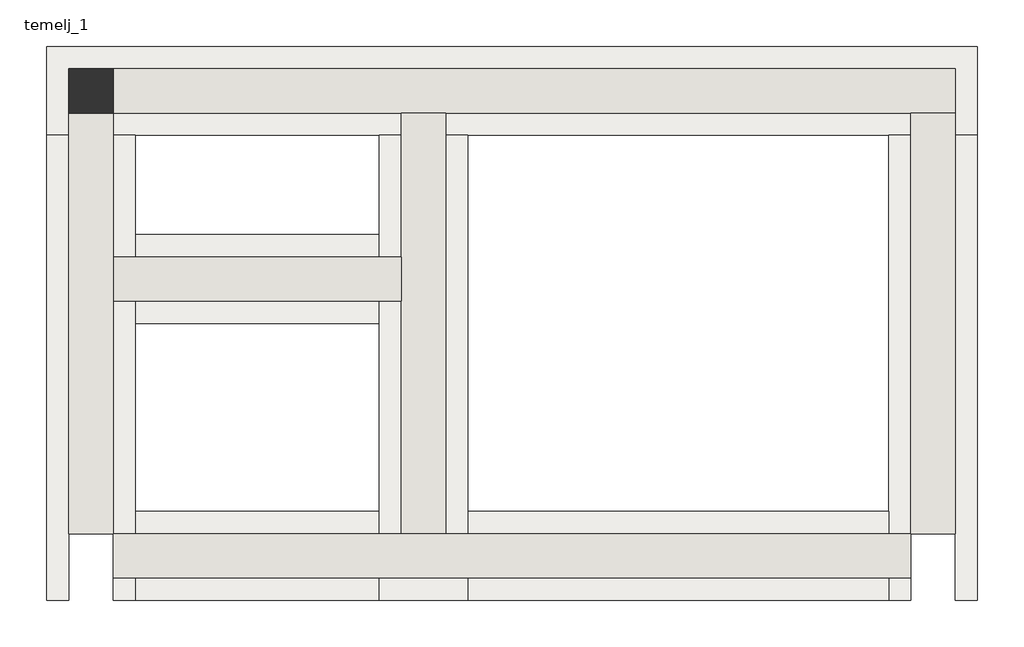
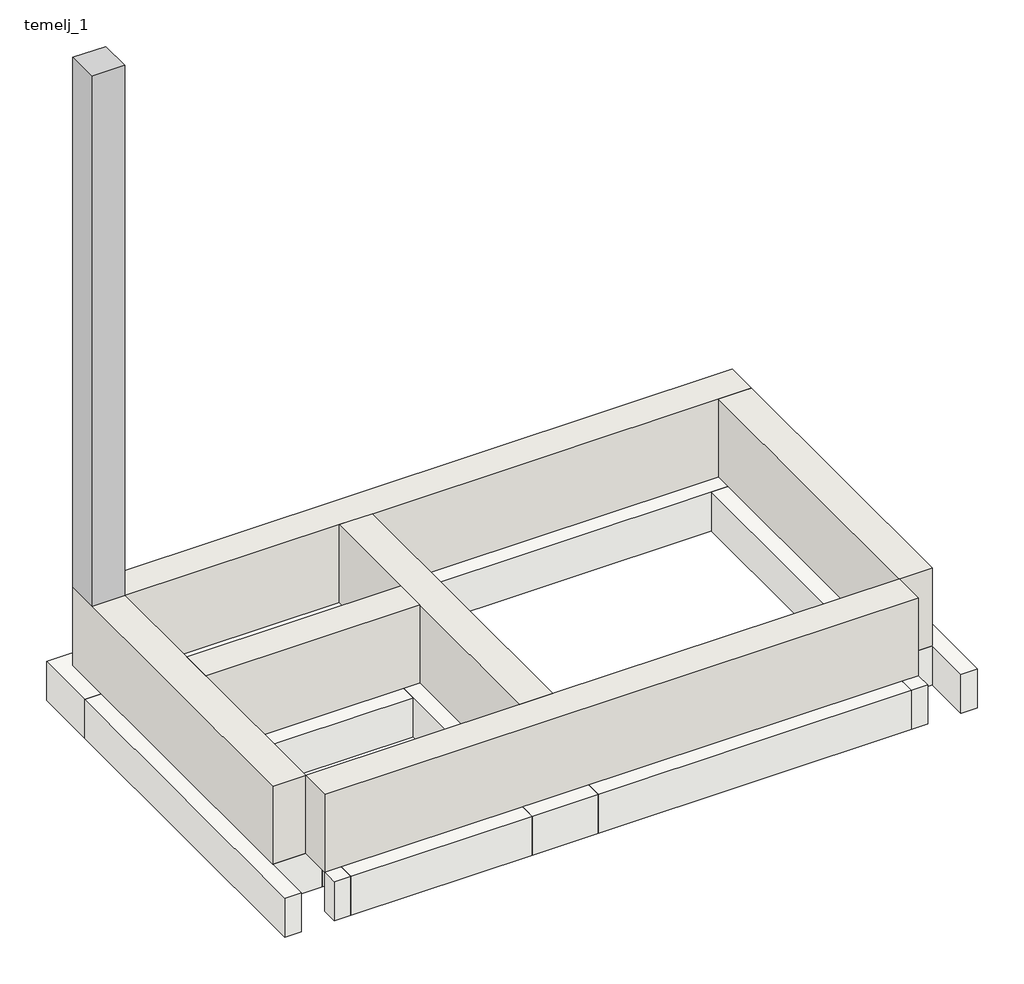
# One storey: 6 footings, 6 walls, 1 column.
"""IFC4 building model written with IfcOpenShell, lengths in millimetres."""

import ifcopenshell
import ifcopenshell.guid

model = None  # the IFC model being written
_history = None  # IfcOwnerHistory: only IFC2X3 demands one
_inside = {}  # id of a spatial element -> (the spatial element, [elements in it])
_under = {}  # id of a project, library or spatial element -> (it, [spatial elements below it])
_declared = {}  # id of a project -> (the project, [libraries it declares])
_typed = {}  # id of a type object -> (the type object, [elements of that type])
_made_of = {}  # id of a material, layer set ... -> (it, [elements and type objects made of it])


def new_model(schema):
    """Start an empty IFC model of exactly this schema.

    Asked for "IFC4X3", IfcOpenShell would pick the latest addendum, in which some entities
    have other attributes; the version numbers below select the first issue.
    IFC2X3 requires an IfcOwnerHistory on every rooted entity: one is made here for all.
    """
    global model, _history
    if schema == "IFC4X3":
        model = ifcopenshell.file(schema_version=(4, 3, 0, 0))
    else:
        model = ifcopenshell.file(schema=schema)
    _inside.clear()
    _under.clear()
    _declared.clear()
    _typed.clear()
    _made_of.clear()
    _history = None
    if model.schema == "IFC2X3":
        org = make("IfcOrganization", Name="unknown")
        user = make(
            "IfcPersonAndOrganization",
            ThePerson=make("IfcPerson", FamilyName="unknown"),
            TheOrganization=org,
        )
        app = make(
            "IfcApplication",
            ApplicationDeveloper=org,
            Version="unknown",
            ApplicationFullName="unknown",
            ApplicationIdentifier="unknown",
        )
        _history = make(
            "IfcOwnerHistory",
            OwningUser=user,
            OwningApplication=app,
            ChangeAction="ADDED",
            CreationDate=0,
        )
    return model


def make(cls, **values):
    """One entity of the class cls with the attributes given. An attribute that is None is left unset."""
    return model.create_entity(
        cls, **{name: value for name, value in values.items() if value is not None}
    )


def rooted(cls, **values):
    """An entity with a GlobalId (a new one), such as an element, a storey or a relation."""
    return make(cls, GlobalId=ifcopenshell.guid.new(), OwnerHistory=_history, **values)


def si_unit(unit_type, name, prefix=None):
    """IfcSIUnit, for example si_unit("LENGTHUNIT", "METRE", prefix="MILLI")."""
    return make("IfcSIUnit", UnitType=unit_type, Prefix=prefix, Name=name)


def assignment(units):
    """IfcUnitAssignment: the units of a project."""
    return None if units is None else make("IfcUnitAssignment", Units=units)


def point(xyz):
    """IfcCartesianPoint."""
    return None if xyz is None else make("IfcCartesianPoint", Coordinates=xyz)


def direction(xyz):
    """IfcDirection."""
    return None if xyz is None else make("IfcDirection", DirectionRatios=xyz)


def frame(location, z_axis=None, x_axis=None):
    """IfcAxis2Placement3D, a coordinate frame: its origin and axes. An axis left out is left unset."""
    return make(
        "IfcAxis2Placement3D",
        Location=point(location),
        Axis=direction(z_axis),
        RefDirection=direction(x_axis),
    )


def origin():
    """The frame at (0, 0, 0) with its axes left unset."""
    return frame((0.0, 0.0, 0.0))


def place(relative_to, where):
    """IfcLocalPlacement: puts the frame where relative to a parent placement (None: the world)."""
    return make(
        "IfcLocalPlacement", PlacementRelTo=relative_to, RelativePlacement=where
    )


def context(
    kind, dimensions, precision=None, world=None, true_north=None, identifier=None
):
    """IfcGeometricRepresentationContext, for example the 3D "Model" context."""
    return make(
        "IfcGeometricRepresentationContext",
        ContextIdentifier=identifier,
        ContextType=kind,
        CoordinateSpaceDimension=dimensions,
        Precision=precision,
        WorldCoordinateSystem=world,
        TrueNorth=true_north,
    )


def project(units=None, contexts=None):
    """IfcProject with its units and contexts."""
    return rooted(
        "IfcProject",
        Name="project",
        RepresentationContexts=contexts,
        UnitsInContext=assignment(units),
    )


def spatial(cls, under=None, at=None, **own):
    """A site, building, storey or space (cls), placed at a placement, below another one or the project."""
    s = rooted(cls, ObjectPlacement=at, **own)
    if under is not None:
        _under.setdefault(under.id(), (under, []))[1].append(s)
    return s


def polyline(points):
    """IfcPolyline through the points."""
    return make("IfcPolyline", Points=[point(p) for p in points])


def outline(outer, holes=None, kind="AREA"):
    """IfcArbitraryClosedProfileDef: a profile drawn as a closed curve; with holes, ...WithVoids."""
    if holes is None:
        return make("IfcArbitraryClosedProfileDef", ProfileType=kind, OuterCurve=outer)
    return make(
        "IfcArbitraryProfileDefWithVoids",
        ProfileType=kind,
        OuterCurve=outer,
        InnerCurves=holes,
    )


def extrude(swept, where, along, depth):
    """IfcExtrudedAreaSolid: the profile swept, set in the frame where, extruded along a direction by depth."""
    return make(
        "IfcExtrudedAreaSolid",
        SweptArea=swept,
        Position=where,
        ExtrudedDirection=direction(along),
        Depth=depth,
    )


def faces_of(points, faces, orient=None, outer=None):
    """IfcFace entities. A face is a list of loops; a loop is a list of indices into points, from 0.

    orient and outer hold one flag for each loop. By default every Orientation is true, the
    first loop of a face is its IfcFaceOuterBound and the others are IfcFaceBound.
    """
    made = []
    for i, loops in enumerate(faces):
        bounds = []
        for j, loop in enumerate(loops):
            is_outer = j == 0 if outer is None else outer[i][j]
            bounds.append(
                make(
                    "IfcFaceOuterBound" if is_outer else "IfcFaceBound",
                    Bound=make("IfcPolyLoop", Polygon=[points[k] for k in loop]),
                    Orientation=True if orient is None else orient[i][j],
                )
            )
        made.append(make("IfcFace", Bounds=bounds))
    return made


def faceted_brep(points, faces, orient=None, outer=None, voids=None):
    """IfcFacetedBrep: a solid bounded by flat faces; with voids (closed shells), ...WithVoids."""
    shared = [point(p) for p in points]
    hull = make("IfcClosedShell", CfsFaces=faces_of(shared, faces, orient, outer))
    if voids is None:
        return make("IfcFacetedBrep", Outer=hull)
    return make(
        "IfcFacetedBrepWithVoids",
        Outer=hull,
        Voids=[
            make(cls, CfsFaces=faces_of(shared, fs, o, b)) for cls, fs, o, b in voids
        ],
    )


def shape(context_of_items, identifier, shape_type, items):
    """IfcShapeRepresentation: the items that make up one representation, for example the "Body"."""
    return make(
        "IfcShapeRepresentation",
        ContextOfItems=context_of_items,
        RepresentationIdentifier=identifier,
        RepresentationType=shape_type,
        Items=items,
    )


def source(mapping_origin, context_of_items, identifier, shape_type, items):
    """IfcRepresentationMap: a shape defined once, which mapped items show again and again."""
    return make(
        "IfcRepresentationMap",
        MappingOrigin=mapping_origin,
        MappedRepresentation=shape(context_of_items, identifier, shape_type, items),
    )


def transform(
    local_origin,
    x_axis=None,
    y_axis=None,
    z_axis=None,
    scale=None,
    scale2=None,
    scale3=None,
    uniform=True,
):
    """IfcCartesianTransformationOperator3D, or its non-uniform kind. x_axis, y_axis, z_axis: its Axis1, 2, 3."""
    if uniform:
        return make(
            "IfcCartesianTransformationOperator3D",
            Axis1=direction(x_axis),
            Axis2=direction(y_axis),
            LocalOrigin=point(local_origin),
            Scale=scale,
            Axis3=direction(z_axis),
        )
    return make(
        "IfcCartesianTransformationOperator3DnonUniform",
        Axis1=direction(x_axis),
        Axis2=direction(y_axis),
        LocalOrigin=point(local_origin),
        Scale=scale,
        Axis3=direction(z_axis),
        Scale2=scale2,
        Scale3=scale3,
    )


def mapped(mapping_source, mapping_target):
    """IfcMappedItem: shows the shape of a source again, moved by a transform."""
    return make(
        "IfcMappedItem", MappingSource=mapping_source, MappingTarget=mapping_target
    )


def made_of(thing, what):
    """Note that an element or type object is made of a material, layer set ...; save() writes the relation."""
    if what is not None:
        _made_of.setdefault(what.id(), (what, []))[1].append(thing)
    return thing


def element(
    cls,
    number,
    at=None,
    inside=None,
    cuts=None,
    type_object=None,
    material=None,
    context=None,
    identifier="Body",
    shape_type=None,
    held_by="IfcProductDefinitionShape",
    body=None,
    shapes=None,
    **own,
):
    """One element of the class cls, such as IfcWall. Its Tag is "e" and its number.

    at: its placement. inside: the storey or other place that contains it. cuts: it is an
    opening in that element (IfcRelVoidsElement). A single representation is given by context,
    identifier, shape_type and body (its items); several are given by shapes. held_by: the class
    of the entity that holds the representations. save() writes the other relations.
    """
    e = rooted(cls, Tag="e%d" % number, ObjectPlacement=at, **own)
    if body is not None:
        shapes = [shape(context, identifier, shape_type, body)]
    if shapes is not None:
        e.Representation = make(held_by, Representations=shapes)
    if inside is not None:
        _inside.setdefault(inside.id(), (inside, []))[1].append(e)
    if cuts is not None:
        rooted(
            "IfcRelVoidsElement", RelatingBuildingElement=cuts, RelatedOpeningElement=e
        )
    if type_object is not None:
        _typed.setdefault(type_object.id(), (type_object, []))[1].append(e)
    return made_of(e, material)


def aggregate(whole, parts):
    """IfcRelAggregates: a whole, such as a stair, and the parts it consists of."""
    return rooted("IfcRelAggregates", RelatingObject=whole, RelatedObjects=parts)


def save(model, path):
    """Write the relations noted so far, then the file.

    IfcRelAggregates (storeys below a building ...), IfcRelContainedInSpatialStructure (elements
    in a storey), IfcRelDefinesByType, IfcRelAssociatesMaterial and IfcRelDeclares: one each for
    every whole, place, type object, material and project.
    """
    for whole, parts in _under.values():
        aggregate(whole, parts)
    for where, things in _inside.values():
        rooted(
            "IfcRelContainedInSpatialStructure",
            RelatedElements=things,
            RelatingStructure=where,
        )
    for kind, things in _typed.values():
        rooted("IfcRelDefinesByType", RelatedObjects=things, RelatingType=kind)
    for what, things in _made_of.values():
        rooted("IfcRelAssociatesMaterial", RelatedObjects=things, RelatingMaterial=what)
    for by, libraries in _declared.values():
        rooted("IfcRelDeclares", RelatingContext=by, RelatedDefinitions=libraries)
    model.write(path)


def concrete_rectangular_column_stub_40x40_65fbe33f(model_context):
    return source(origin(), model_context, "Body", "SweptSolid", [
        extrude(outline(polyline([(200.0, 200.0), (200.0, -200.0), (-200.0, -200.0), (-200.0, 200.0), (200.0, 200.0)])), frame((0.0, 0.0, -1000.0), z_axis=(0.0, 0.0, 1.0), x_axis=(1.0, 0.0, 0.0)), (0.0, 0.0, 1.0), 7800.0),
    ])


model = new_model("IFC4")

# Units and contexts
model_context = context("Model", 3, world=origin())
ifc_project = project(units=[si_unit("LENGTHUNIT", "METRE", prefix="MILLI")], contexts=[model_context])

# Site, building, storey
site = spatial("IfcSite", under=ifc_project)
building = spatial("IfcBuilding", under=site)
storey = spatial("IfcBuildingStorey", under=building, Name="temelj_1", Elevation=-1000.0)

# Column
placement = place(None, origin())
concrete_rectangular_column_stub_40x40_shape = concrete_rectangular_column_stub_40x40_65fbe33f(model_context)
element("IfcColumn", 1, ObjectType="Concrete-Rectangular-Column : stub_40x40", at=placement, inside=storey, context=model_context, shape_type="MappedRepresentation", body=[
    mapped(concrete_rectangular_column_stub_40x40_shape, transform((6629.49375, 8278.8148516, 0.0), x_axis=(1.0, 0.0, 0.0), y_axis=(0.0, 1.0, 0.0), z_axis=(0.0, 0.0, 1.0))),
])

# Footings
element("IfcFooting", 2, at=placement, inside=storey, context=model_context, shape_type="Brep", body=[
    faceted_brep([(6229.49375, 7878.8148516, -1000.0), (7029.49375, 7878.8148516, -1000.0), (9229.49375, 7878.8148516, -1000.0), (10029.49375, 7878.8148516, -1000.0), (13829.49375, 7878.8148516, -1000.0), (14629.49375, 7878.8148516, -1000.0), (14629.49375, 8678.8148516, -1000.0), (6229.49375, 8678.8148516, -1000.0), (6229.49375, 8678.8148516, -1500.0), (14629.49375, 8678.8148516, -1500.0), (6229.49375, 7878.8148516, -1500.0), (14629.49375, 7878.8148516, -1500.0), (13829.49375, 7878.8148516, -1500.0), (10029.49375, 7878.8148516, -1500.0), (9229.49375, 7878.8148516, -1500.0), (7029.49375, 7878.8148516, -1500.0)], [[[0, 1, 2, 3, 4, 5, 6, 7]], [[8, 7, 6, 9]], [[10, 8, 9, 11, 12, 13, 14, 15]], [[0, 10, 15, 14, 13, 12, 11, 5, 4, 3, 2, 1]], [[0, 7, 8, 10]], [[6, 5, 11, 9]]]),
])
element("IfcFooting", 3, at=placement, inside=storey, context=model_context, shape_type="Brep", body=[
    faceted_brep([(6429.49375, 4278.8148516, -1000.0), (7029.49375, 4278.8148516, -1000.0), (7029.49375, 4478.8148516, -1000.0), (7029.49375, 6178.8148516, -1000.0), (7029.49375, 6978.8148516, -1000.0), (7029.49375, 7878.8148516, -1000.0), (6229.49375, 7878.8148516, -1000.0), (6229.49375, 3678.8148516, -1000.0), (6429.49375, 3678.8148516, -1000.0), (6229.49375, 3678.8148516, -1500.0), (6229.49375, 7878.8148516, -1500.0), (7029.49375, 4278.8148516, -1500.0), (6429.49375, 4278.8148516, -1500.0), (6429.49375, 3678.8148516, -1500.0), (7029.49375, 7878.8148516, -1500.0), (7029.49375, 6978.8148516, -1500.0), (7029.49375, 6178.8148516, -1500.0), (7029.49375, 4478.8148516, -1500.0)], [[[0, 1, 2, 3, 4, 5, 6, 7, 8]], [[9, 7, 6, 10]], [[11, 12, 13, 9, 10, 14, 15, 16, 17]], [[1, 11, 17, 16, 15, 14, 5, 4, 3, 2]], [[0, 12, 11, 1]], [[12, 0, 8, 13]], [[6, 5, 14, 10]], [[7, 9, 13, 8]]]),
    faceted_brep([(7029.49375, 3678.8148516, -1000.0), (7029.49375, 3878.8148516, -1000.0), (6829.49375, 3878.8148516, -1000.0), (6829.49375, 3678.8148516, -1000.0), (7029.49375, 3878.8148516, -1500.0), (7029.49375, 3678.8148516, -1500.0), (6829.49375, 3678.8148516, -1500.0), (6829.49375, 3878.8148516, -1500.0)], [[[0, 1, 2, 3]], [[4, 5, 6, 7]], [[0, 5, 4, 1]], [[5, 0, 3, 6]], [[1, 4, 7, 2]], [[3, 2, 7, 6]]]),
])
element("IfcFooting", 4, at=placement, inside=storey, context=model_context, shape_type="Brep", body=[
    faceted_brep([(10029.49375, 3678.8148516, -1000.0), (10029.49375, 3878.8148516, -1000.0), (10029.49375, 4278.8148516, -1000.0), (10029.49375, 4478.8148516, -1000.0), (10029.49375, 7878.8148516, -1000.0), (9229.49375, 7878.8148516, -1000.0), (9229.49375, 6978.8148516, -1000.0), (9229.49375, 6178.8148516, -1000.0), (9229.49375, 4478.8148516, -1000.0), (9229.49375, 4278.8148516, -1000.0), (9229.49375, 3878.8148516, -1000.0), (9229.49375, 3678.8148516, -1000.0), (9229.49375, 3678.8148516, -1500.0), (9229.49375, 7878.8148516, -1500.0), (9229.49375, 6978.8148516, -1500.0), (9229.49375, 6178.8148516, -1500.0), (9229.49375, 4478.8148516, -1500.0), (9229.49375, 4278.8148516, -1500.0), (9229.49375, 3878.8148516, -1500.0), (10029.49375, 3678.8148516, -1500.0), (10029.49375, 7878.8148516, -1500.0), (10029.49375, 4478.8148516, -1500.0), (10029.49375, 4278.8148516, -1500.0), (10029.49375, 3878.8148516, -1500.0)], [[[0, 1, 2, 3, 4, 5, 6, 7, 8, 9, 10, 11]], [[12, 11, 10, 9, 8, 7, 6, 5, 13, 14, 15, 16, 17, 18]], [[19, 12, 18, 17, 16, 15, 14, 13, 20, 21, 22, 23]], [[0, 19, 23, 22, 21, 20, 4, 3, 2, 1]], [[5, 4, 20, 13]], [[0, 11, 12, 19]]]),
])
element("IfcFooting", 5, at=placement, inside=storey, context=model_context, shape_type="Brep", body=[
    faceted_brep([(13829.49375, 4278.8148516, -1000.0), (14429.49375, 4278.8148516, -1000.0), (14429.49375, 3678.8148516, -1000.0), (14629.49375, 3678.8148516, -1000.0), (14629.49375, 7878.8148516, -1000.0), (13829.49375, 7878.8148516, -1000.0), (13829.49375, 4478.8148516, -1000.0), (14629.49375, 3678.8148516, -1500.0), (14629.49375, 7878.8148516, -1500.0), (14429.49375, 4278.8148516, -1500.0), (13829.49375, 4278.8148516, -1500.0), (13829.49375, 4478.8148516, -1500.0), (13829.49375, 7878.8148516, -1500.0), (14429.49375, 3678.8148516, -1500.0)], [[[0, 1, 2, 3, 4, 5, 6]], [[3, 7, 8, 4]], [[9, 10, 11, 12, 8, 7, 13]], [[10, 0, 6, 5, 12, 11]], [[9, 1, 0, 10]], [[1, 9, 13, 2]], [[5, 4, 8, 12]], [[7, 3, 2, 13]]]),
    faceted_brep([(13829.49375, 3878.8148516, -1000.0), (13829.49375, 3678.8148516, -1000.0), (14029.49375, 3678.8148516, -1000.0), (14029.49375, 3878.8148516, -1000.0), (13829.49375, 3678.8148516, -1500.0), (13829.49375, 3878.8148516, -1500.0), (14029.49375, 3878.8148516, -1500.0), (14029.49375, 3678.8148516, -1500.0)], [[[0, 1, 2, 3]], [[4, 5, 6, 7]], [[4, 1, 0, 5]], [[1, 4, 7, 2]], [[5, 0, 3, 6]], [[3, 2, 7, 6]]]),
])
element("IfcFooting", 6, at=placement, inside=storey, context=model_context, shape_type="SweptSolid", body=[
    extrude(outline(polyline([(7029.49375, 6178.8148516), (7029.49375, 6978.8148516), (9229.49375, 6978.8148516), (9229.49375, 6178.8148516), (7029.49375, 6178.8148516)])), frame((0.0, 0.0, -1500.0), z_axis=(0.0, 0.0, 1.0), x_axis=(1.0, 0.0, 0.0)), (0.0, 0.0, 1.0), 500.0),
])
element("IfcFooting", 7, at=placement, inside=storey, context=model_context, shape_type="SweptSolid", body=[
    extrude(outline(polyline([(7029.49375, 4278.8148516), (7029.49375, 4478.8148516), (9229.49375, 4478.8148516), (9229.49375, 4278.8148516), (7029.49375, 4278.8148516)])), frame((0.0, 0.0, -1500.0), z_axis=(0.0, 0.0, 1.0), x_axis=(1.0, 0.0, 0.0)), (0.0, 0.0, 1.0), 500.0),
    extrude(outline(polyline([(7029.49375, 3678.8148516), (7029.49375, 3878.8148516), (9229.49375, 3878.8148516), (9229.49375, 3678.8148516), (7029.49375, 3678.8148516)])), frame((0.0, 0.0, -1500.0), z_axis=(0.0, 0.0, 1.0), x_axis=(1.0, 0.0, 0.0)), (0.0, 0.0, 1.0), 500.0),
    extrude(outline(polyline([(10029.49375, 4278.8148516), (10029.49375, 4478.8148516), (13829.49375, 4478.8148516), (13829.49375, 4278.8148516), (10029.49375, 4278.8148516)])), frame((0.0, 0.0, -1500.0), z_axis=(0.0, 0.0, 1.0), x_axis=(1.0, 0.0, 0.0)), (0.0, 0.0, 1.0), 500.0),
    extrude(outline(polyline([(10029.49375, 3678.8148516), (10029.49375, 3878.8148516), (13829.49375, 3878.8148516), (13829.49375, 3678.8148516), (10029.49375, 3678.8148516)])), frame((0.0, 0.0, -1500.0), z_axis=(0.0, 0.0, 1.0), x_axis=(1.0, 0.0, 0.0)), (0.0, 0.0, 1.0), 500.0),
])

# Walls
element("IfcWall", 8, at=placement, inside=storey, context=model_context, shape_type="Brep", body=[
    faceted_brep([(6829.49375, 4278.8148516, -1000.0), (6829.49375, 6378.8148516, -1000.0), (6829.49375, 6778.8148516, -1000.0), (6829.49375, 8078.8148516, -1000.0), (6829.49375, 8478.8148516, -1000.0), (6829.49375, 8478.8148516, 0.0), (6829.49375, 8078.8148516, 0.0), (6829.49375, 6778.8148516, 0.0), (6829.49375, 6378.8148516, 0.0), (6829.49375, 4278.8148516, 0.0), (6429.49375, 4278.8148516, -1000.0), (6429.49375, 4278.8148516, 0.0), (6429.49375, 8478.8148516, 0.0), (6429.49375, 8478.8148516, -1000.0)], [[[0, 1, 2, 3, 4, 5, 6, 7, 8, 9]], [[10, 11, 12, 13]], [[4, 3, 2, 1, 0, 10, 13]], [[9, 8, 7, 6, 5, 12, 11]], [[0, 9, 11, 10]], [[5, 4, 13, 12]]]),
])
element("IfcWall", 9, at=placement, inside=storey, context=model_context, shape_type="Brep", body=[
    faceted_brep([(6829.49375, 8078.8148516, -1000.0), (9429.49375, 8078.8148516, -1000.0), (9829.49375, 8078.8148516, -1000.0), (14029.49375, 8078.8148516, -1000.0), (14429.49375, 8078.8148516, -1000.0), (14429.49375, 8078.8148516, 0.0), (14029.49375, 8078.8148516, 0.0), (9829.49375, 8078.8148516, 0.0), (9429.49375, 8078.8148516, 0.0), (6829.49375, 8078.8148516, 0.0), (6829.49375, 8478.8148516, -1000.0), (6829.49375, 8478.8148516, 0.0), (14429.49375, 8478.8148516, 0.0), (14429.49375, 8478.8148516, -1000.0)], [[[0, 1, 2, 3, 4, 5, 6, 7, 8, 9]], [[10, 11, 12, 13]], [[4, 3, 2, 1, 0, 10, 13]], [[9, 8, 7, 6, 5, 12, 11]], [[0, 9, 11, 10]], [[5, 4, 13, 12]]]),
])
element("IfcWall", 10, at=placement, inside=storey, context=model_context, shape_type="SweptSolid", body=[
    extrude(outline(polyline([(14029.49375, 4278.8148516), (14029.49375, 8078.8148516), (14429.49375, 8078.8148516), (14429.49375, 4278.8148516), (14029.49375, 4278.8148516)])), frame((0.0, 0.0, -1000.0), z_axis=(0.0, 0.0, 1.0), x_axis=(1.0, 0.0, 0.0)), (0.0, 0.0, 1.0), 1000.0),
])
element("IfcWall", 11, at=placement, inside=storey, context=model_context, shape_type="SweptSolid", body=[
    extrude(outline(polyline([(9429.49375, 6378.8148516), (6829.49375, 6378.8148516), (6829.49375, 6778.8148516), (9429.49375, 6778.8148516), (9429.49375, 6378.8148516)])), frame((0.0, 0.0, -1000.0), z_axis=(0.0, 0.0, 1.0), x_axis=(1.0, 0.0, 0.0)), (0.0, 0.0, 1.0), 1000.0),
])
element("IfcWall", 12, at=placement, inside=storey, context=model_context, shape_type="Brep", body=[
    faceted_brep([(6829.49375, 3878.8148516, -1000.0), (14029.49375, 3878.8148516, -1000.0), (14029.49375, 3878.8148516, 0.0), (6829.49375, 3878.8148516, 0.0), (6829.49375, 4278.8148516, -1000.0), (6829.49375, 4278.8148516, 0.0), (9429.49375, 4278.8148516, 0.0), (9829.49375, 4278.8148516, 0.0), (14029.49375, 4278.8148516, 0.0), (14029.49375, 4278.8148516, -1000.0), (9829.49375, 4278.8148516, -1000.0), (9429.49375, 4278.8148516, -1000.0)], [[[0, 1, 2, 3]], [[4, 5, 6, 7, 8, 9, 10, 11]], [[1, 0, 4, 11, 10, 9]], [[3, 2, 8, 7, 6, 5]], [[2, 1, 9, 8]], [[0, 3, 5, 4]]]),
])
element("IfcWall", 13, at=placement, inside=storey, context=model_context, shape_type="Brep", body=[
    faceted_brep([(9829.49375, 4278.8148516, -1000.0), (9829.49375, 8078.8148516, -1000.0), (9829.49375, 8078.8148516, 0.0), (9829.49375, 4278.8148516, 0.0), (9429.49375, 4278.8148516, -1000.0), (9429.49375, 4278.8148516, 0.0), (9429.49375, 6378.8148516, 0.0), (9429.49375, 6778.8148516, 0.0), (9429.49375, 8078.8148516, 0.0), (9429.49375, 8078.8148516, -1000.0), (9429.49375, 6778.8148516, -1000.0), (9429.49375, 6378.8148516, -1000.0)], [[[0, 1, 2, 3]], [[4, 5, 6, 7, 8, 9, 10, 11]], [[1, 0, 4, 11, 10, 9]], [[3, 2, 8, 7, 6, 5]], [[2, 1, 9, 8]], [[0, 3, 5, 4]]]),
])

save(model, "model.ifc")
